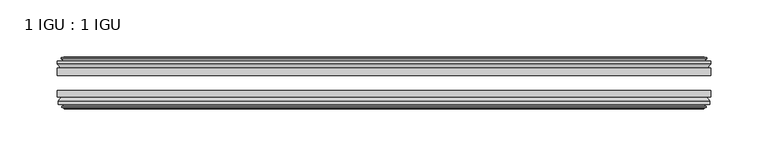
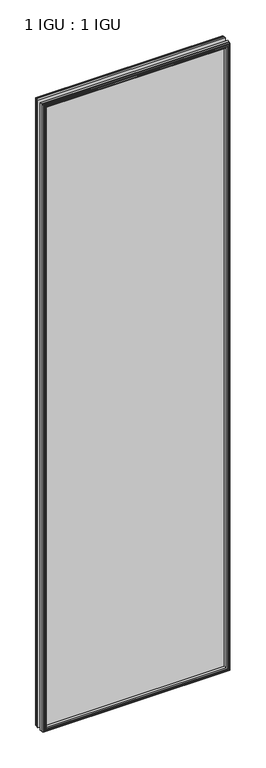
"""IFC4 building model written with IfcOpenShell, lengths in millimetres: plate geometry, 1 IGU : 1 IGU."""

from ifc_helpers import new_model, si_unit, frame, origin, place, context, project, spatial, polyline, outline, extrude, faceted_brep, source, transform, mapped, element, save


def plate_1_igu_1_igu_5aba38c3(model_context):
    return source(origin(), model_context, "Body", "SolidModel", [
        extrude(outline(polyline([(285.75, -19.5460937), (285.75, -25.8960938), (-285.75, -25.8960938), (-285.75, -19.5460937), (285.75, -19.5460937)])), frame((0.0, 0.0, -12.7), z_axis=(0.0, 0.0, 1.0), x_axis=(1.0, 0.0, 0.0)), (0.0, 0.0, 1.0), 2019.289595),
        extrude(outline(polyline([(-285.75, -44.9460938), (-285.75, -38.9186737), (285.75, -38.9186737), (285.75, -44.9460938), (-285.75, -44.9460938)])), frame((0.0, 0.0, -12.7), z_axis=(0.0, 0.0, 1.0), x_axis=(1.0, 0.0, 0.0)), (0.0, 0.0, 1.0), 2019.289595),
        faceted_brep([(-280.162, -53.6762907, 2001.001595), (-280.543, -51.2960937, 2001.382595), (-280.543, -51.2960937, -7.493), (-280.162, -53.6762907, -7.112), (-281.5775291, -53.2163575, 2002.4171241), (-281.5775291, -53.2163575, -8.5275291), (-281.5775291, -54.0175717, 2002.4171241), (-281.5775291, -54.0175717, -8.5275291), (-279.4, -54.7250937, 2000.239595), (-279.4, -54.7250937, -6.35), (-277.2224709, -54.0175717, 1998.062066), (-277.2224709, -54.0175717, -4.1724709), (-277.2224709, -53.2163575, 1998.062066), (-277.2224709, -53.2163575, -4.1724709), (-278.638, -53.6762907, 1999.477595), (-278.638, -53.6762907, -5.588), (-278.257, -51.2960937, 1999.096595), (-278.257, -51.2960937, -5.207), (-271.3322819, -44.9460937, 1992.171877), (-273.05, -51.2960937, 1993.889595), (-273.05, -51.2960937, 0.0), (-271.3322819, -44.9460937, 1.7177181), (-284.988, -48.3496937, 2005.827595), (-282.1536578, -44.9460937, 2002.9932529), (-282.1536578, -44.9460937, -9.1036578), (-284.988, -48.3496937, -11.938), (-284.988, -51.2960937, 2005.827595), (-284.988, -51.2960937, -11.938), (280.543, -51.2960938, -7.493), (280.162, -53.6762907, -7.112), (281.5775291, -53.2163575, -8.5275291), (281.5775291, -54.0175717, -8.5275291), (279.4, -54.7250937, -6.35), (277.2224709, -54.0175717, -4.1724709), (277.2224709, -53.2163575, -4.1724709), (278.638, -53.6762907, -5.588), (278.257, -51.2960937, -5.207), (273.05, -51.2960937, 0.0), (271.3322819, -44.9460937, 1.7177181), (282.1536578, -44.9460937, -9.1036578), (284.988, -48.3496937, -11.938), (284.988, -51.2960938, -11.938), (280.543, -51.2960938, 2001.382595), (280.162, -53.6762907, 2001.001595), (281.5775291, -53.2163575, 2002.4171241), (281.5775291, -54.0175717, 2002.4171241), (279.4, -54.7250937, 2000.239595), (277.2224709, -54.0175717, 1998.062066), (277.2224709, -53.2163575, 1998.062066), (278.638, -53.6762907, 1999.477595), (278.257, -51.2960937, 1999.096595), (273.05, -51.2960937, 1993.889595), (271.3322819, -44.9460937, 1992.171877), (282.1536578, -44.9460937, 2002.9932529), (284.988, -48.3496937, 2005.827595), (284.988, -51.2960938, 2005.827595)], [[[0, 1, 2, 3]], [[4, 0, 3, 5]], [[6, 4, 5, 7]], [[8, 6, 7, 9]], [[10, 8, 9, 11]], [[12, 10, 11, 13]], [[14, 12, 13, 15]], [[16, 14, 15, 17]], [[18, 19, 20, 21]], [[22, 23, 24, 25]], [[26, 22, 25, 27]], [[3, 2, 28, 29]], [[5, 3, 29, 30]], [[7, 5, 30, 31]], [[9, 7, 31, 32]], [[11, 9, 32, 33]], [[13, 11, 33, 34]], [[15, 13, 34, 35]], [[17, 15, 35, 36]], [[21, 20, 37, 38]], [[25, 24, 39, 40]], [[27, 25, 40, 41]], [[29, 28, 42, 43]], [[30, 29, 43, 44]], [[31, 30, 44, 45]], [[32, 31, 45, 46]], [[33, 32, 46, 47]], [[34, 33, 47, 48]], [[35, 34, 48, 49]], [[36, 35, 49, 50]], [[38, 37, 51, 52]], [[40, 39, 53, 54]], [[41, 40, 54, 55]], [[27, 41, 55, 26], [1, 42, 28, 2]], [[43, 42, 1, 0]], [[44, 43, 0, 4]], [[45, 44, 4, 6]], [[46, 45, 6, 8]], [[47, 46, 8, 10]], [[48, 47, 10, 12]], [[49, 48, 12, 14]], [[50, 49, 14, 16]], [[17, 36, 50, 16], [19, 51, 37, 20]], [[52, 51, 19, 18]], [[23, 53, 39, 24], [21, 38, 52, 18]], [[54, 53, 23, 22]], [[55, 54, 22, 26]]]),
        faceted_brep([(-282.6743578, -19.5460937, 2003.5139529), (-285.5087, -16.1424937, 2006.348295), (-285.5087, -16.1424937, -12.4587), (-282.6743578, -19.5460937, -9.6243578), (-273.5707, -13.1960937, 1994.410295), (-271.8529819, -19.5460937, 1992.692577), (-271.8529819, -19.5460937, 1.1970181), (-273.5707, -13.1960937, -0.5207), (-279.1587, -10.8158968, 1999.998295), (-278.7777, -13.1960937, 1999.617295), (-278.7777, -13.1960937, -5.7277), (-279.1587, -10.8158968, -6.1087), (-277.7431709, -11.27583, 1998.582766), (-277.7431709, -11.27583, -4.6931709), (-277.7431709, -10.4746158, 1998.582766), (-277.7431709, -10.4746158, -4.6931709), (-279.9207, -9.7670937, 2000.760295), (-279.9207, -9.7670937, -6.8707), (-282.0982291, -10.4746158, 2002.9378241), (-282.0982291, -10.4746158, -9.0482291), (-282.0982291, -11.27583, 2002.9378241), (-282.0982291, -11.27583, -9.0482291), (-280.6827, -10.8158968, 2001.522295), (-280.6827, -10.8158968, -7.6327), (-281.0637, -13.1960937, 2001.903295), (-281.0637, -13.1960937, -8.0137), (-285.5087, -13.1960937, 2006.348295), (-285.5087, -13.1960937, -12.4587), (285.5087, -16.1424937, -12.4587), (282.6743578, -19.5460937, -9.6243578), (271.8529819, -19.5460937, 1.1970181), (273.5707, -13.1960937, -0.5207), (278.7777, -13.1960937, -5.7277), (279.1587, -10.8158968, -6.1087), (277.7431709, -11.27583, -4.6931709), (277.7431709, -10.4746158, -4.6931709), (279.9207, -9.7670937, -6.8707), (282.0982291, -10.4746158, -9.0482291), (282.0982291, -11.27583, -9.0482291), (280.6827, -10.8158968, -7.6327), (281.0637, -13.1960937, -8.0137), (285.5087, -13.1960937, -12.4587), (285.5087, -16.1424937, 2006.348295), (282.6743578, -19.5460937, 2003.5139529), (271.8529819, -19.5460937, 1992.692577), (273.5707, -13.1960937, 1994.410295), (278.7777, -13.1960937, 1999.617295), (279.1587, -10.8158968, 1999.998295), (277.7431709, -11.27583, 1998.582766), (277.7431709, -10.4746158, 1998.582766), (279.9207, -9.7670937, 2000.760295), (282.0982291, -10.4746158, 2002.9378241), (282.0982291, -11.27583, 2002.9378241), (280.6827, -10.8158968, 2001.522295), (281.0637, -13.1960937, 2001.903295), (285.5087, -13.1960937, 2006.348295)], [[[0, 1, 2, 3]], [[4, 5, 6, 7]], [[8, 9, 10, 11]], [[12, 8, 11, 13]], [[14, 12, 13, 15]], [[16, 14, 15, 17]], [[18, 16, 17, 19]], [[20, 18, 19, 21]], [[22, 20, 21, 23]], [[24, 22, 23, 25]], [[1, 26, 27, 2]], [[3, 2, 28, 29]], [[7, 6, 30, 31]], [[11, 10, 32, 33]], [[13, 11, 33, 34]], [[15, 13, 34, 35]], [[17, 15, 35, 36]], [[19, 17, 36, 37]], [[21, 19, 37, 38]], [[23, 21, 38, 39]], [[25, 23, 39, 40]], [[2, 27, 41, 28]], [[29, 28, 42, 43]], [[31, 30, 44, 45]], [[33, 32, 46, 47]], [[34, 33, 47, 48]], [[35, 34, 48, 49]], [[36, 35, 49, 50]], [[37, 36, 50, 51]], [[38, 37, 51, 52]], [[39, 38, 52, 53]], [[40, 39, 53, 54]], [[28, 41, 55, 42]], [[43, 42, 1, 0]], [[3, 29, 43, 0], [5, 44, 30, 6]], [[45, 44, 5, 4]], [[9, 46, 32, 10], [7, 31, 45, 4]], [[47, 46, 9, 8]], [[48, 47, 8, 12]], [[49, 48, 12, 14]], [[50, 49, 14, 16]], [[51, 50, 16, 18]], [[52, 51, 18, 20]], [[53, 52, 20, 22]], [[54, 53, 22, 24]], [[26, 55, 41, 27], [25, 40, 54, 24]], [[42, 55, 26, 1]]]),
    ])


if __name__ == "__main__":
    model = new_model("IFC4")
    model_context = context("Model", 3, world=origin())
    ifc_project = project(units=[si_unit("LENGTHUNIT", "METRE", prefix="MILLI")], contexts=[model_context])
    site = spatial("IfcSite", under=ifc_project)
    building = spatial("IfcBuilding", under=site)
    placement = place(None, origin())
    plate_1_igu_1_igu_shape = plate_1_igu_1_igu_5aba38c3(model_context)
    element("IfcPlate", 1, ObjectType="1 IGU : 1 IGU", at=placement, inside=building, context=model_context, shape_type="MappedRepresentation", body=[
        mapped(plate_1_igu_1_igu_shape, transform((0.0, 0.0, 0.0), x_axis=(1.0, 0.0, 0.0), y_axis=(0.0, 1.0, 0.0), z_axis=(0.0, 0.0, 1.0))),
    ])
    save(model, "model.ifc")
